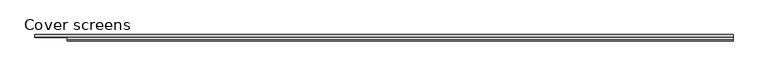
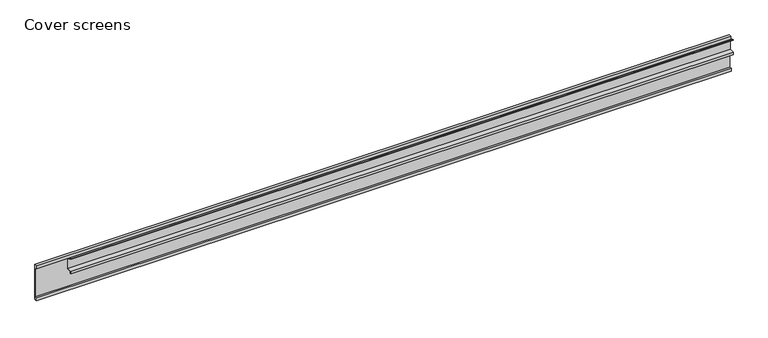
"""IFC4 building model written with IfcOpenShell, lengths in millimetres: proxy geometry, Cover screens."""

import ifcopenshell
import ifcopenshell.guid

model = None  # the IFC model being written
_history = None  # IfcOwnerHistory: only IFC2X3 demands one
_inside = {}  # id of a spatial element -> (the spatial element, [elements in it])
_under = {}  # id of a project, library or spatial element -> (it, [spatial elements below it])
_declared = {}  # id of a project -> (the project, [libraries it declares])
_typed = {}  # id of a type object -> (the type object, [elements of that type])
_made_of = {}  # id of a material, layer set ... -> (it, [elements and type objects made of it])


def new_model(schema):
    """Start an empty IFC model of exactly this schema.

    Asked for "IFC4X3", IfcOpenShell would pick the latest addendum, in which some entities
    have other attributes; the version numbers below select the first issue.
    IFC2X3 requires an IfcOwnerHistory on every rooted entity: one is made here for all.
    """
    global model, _history
    if schema == "IFC4X3":
        model = ifcopenshell.file(schema_version=(4, 3, 0, 0))
    else:
        model = ifcopenshell.file(schema=schema)
    _inside.clear()
    _under.clear()
    _declared.clear()
    _typed.clear()
    _made_of.clear()
    _history = None
    if model.schema == "IFC2X3":
        org = make("IfcOrganization", Name="unknown")
        user = make(
            "IfcPersonAndOrganization",
            ThePerson=make("IfcPerson", FamilyName="unknown"),
            TheOrganization=org,
        )
        app = make(
            "IfcApplication",
            ApplicationDeveloper=org,
            Version="unknown",
            ApplicationFullName="unknown",
            ApplicationIdentifier="unknown",
        )
        _history = make(
            "IfcOwnerHistory",
            OwningUser=user,
            OwningApplication=app,
            ChangeAction="ADDED",
            CreationDate=0,
        )
    return model


def make(cls, **values):
    """One entity of the class cls with the attributes given. An attribute that is None is left unset."""
    return model.create_entity(
        cls, **{name: value for name, value in values.items() if value is not None}
    )


def rooted(cls, **values):
    """An entity with a GlobalId (a new one), such as an element, a storey or a relation."""
    return make(cls, GlobalId=ifcopenshell.guid.new(), OwnerHistory=_history, **values)


def si_unit(unit_type, name, prefix=None):
    """IfcSIUnit, for example si_unit("LENGTHUNIT", "METRE", prefix="MILLI")."""
    return make("IfcSIUnit", UnitType=unit_type, Prefix=prefix, Name=name)


def assignment(units):
    """IfcUnitAssignment: the units of a project."""
    return None if units is None else make("IfcUnitAssignment", Units=units)


def point(xyz):
    """IfcCartesianPoint."""
    return None if xyz is None else make("IfcCartesianPoint", Coordinates=xyz)


def direction(xyz):
    """IfcDirection."""
    return None if xyz is None else make("IfcDirection", DirectionRatios=xyz)


def frame(location, z_axis=None, x_axis=None):
    """IfcAxis2Placement3D, a coordinate frame: its origin and axes. An axis left out is left unset."""
    return make(
        "IfcAxis2Placement3D",
        Location=point(location),
        Axis=direction(z_axis),
        RefDirection=direction(x_axis),
    )


def origin():
    """The frame at (0, 0, 0) with its axes left unset."""
    return frame((0.0, 0.0, 0.0))


def place(relative_to, where):
    """IfcLocalPlacement: puts the frame where relative to a parent placement (None: the world)."""
    return make(
        "IfcLocalPlacement", PlacementRelTo=relative_to, RelativePlacement=where
    )


def context(
    kind, dimensions, precision=None, world=None, true_north=None, identifier=None
):
    """IfcGeometricRepresentationContext, for example the 3D "Model" context."""
    return make(
        "IfcGeometricRepresentationContext",
        ContextIdentifier=identifier,
        ContextType=kind,
        CoordinateSpaceDimension=dimensions,
        Precision=precision,
        WorldCoordinateSystem=world,
        TrueNorth=true_north,
    )


def project(units=None, contexts=None):
    """IfcProject with its units and contexts."""
    return rooted(
        "IfcProject",
        Name="project",
        RepresentationContexts=contexts,
        UnitsInContext=assignment(units),
    )


def spatial(cls, under=None, at=None, **own):
    """A site, building, storey or space (cls), placed at a placement, below another one or the project."""
    s = rooted(cls, ObjectPlacement=at, **own)
    if under is not None:
        _under.setdefault(under.id(), (under, []))[1].append(s)
    return s


def polyline(points):
    """IfcPolyline through the points."""
    return make("IfcPolyline", Points=[point(p) for p in points])


def outline(outer, holes=None, kind="AREA"):
    """IfcArbitraryClosedProfileDef: a profile drawn as a closed curve; with holes, ...WithVoids."""
    if holes is None:
        return make("IfcArbitraryClosedProfileDef", ProfileType=kind, OuterCurve=outer)
    return make(
        "IfcArbitraryProfileDefWithVoids",
        ProfileType=kind,
        OuterCurve=outer,
        InnerCurves=holes,
    )


def extrude(swept, where, along, depth):
    """IfcExtrudedAreaSolid: the profile swept, set in the frame where, extruded along a direction by depth."""
    return make(
        "IfcExtrudedAreaSolid",
        SweptArea=swept,
        Position=where,
        ExtrudedDirection=direction(along),
        Depth=depth,
    )


def shape(context_of_items, identifier, shape_type, items):
    """IfcShapeRepresentation: the items that make up one representation, for example the "Body"."""
    return make(
        "IfcShapeRepresentation",
        ContextOfItems=context_of_items,
        RepresentationIdentifier=identifier,
        RepresentationType=shape_type,
        Items=items,
    )


def source(mapping_origin, context_of_items, identifier, shape_type, items):
    """IfcRepresentationMap: a shape defined once, which mapped items show again and again."""
    return make(
        "IfcRepresentationMap",
        MappingOrigin=mapping_origin,
        MappedRepresentation=shape(context_of_items, identifier, shape_type, items),
    )


def transform(
    local_origin,
    x_axis=None,
    y_axis=None,
    z_axis=None,
    scale=None,
    scale2=None,
    scale3=None,
    uniform=True,
):
    """IfcCartesianTransformationOperator3D, or its non-uniform kind. x_axis, y_axis, z_axis: its Axis1, 2, 3."""
    if uniform:
        return make(
            "IfcCartesianTransformationOperator3D",
            Axis1=direction(x_axis),
            Axis2=direction(y_axis),
            LocalOrigin=point(local_origin),
            Scale=scale,
            Axis3=direction(z_axis),
        )
    return make(
        "IfcCartesianTransformationOperator3DnonUniform",
        Axis1=direction(x_axis),
        Axis2=direction(y_axis),
        LocalOrigin=point(local_origin),
        Scale=scale,
        Axis3=direction(z_axis),
        Scale2=scale2,
        Scale3=scale3,
    )


def mapped(mapping_source, mapping_target):
    """IfcMappedItem: shows the shape of a source again, moved by a transform."""
    return make(
        "IfcMappedItem", MappingSource=mapping_source, MappingTarget=mapping_target
    )


def made_of(thing, what):
    """Note that an element or type object is made of a material, layer set ...; save() writes the relation."""
    if what is not None:
        _made_of.setdefault(what.id(), (what, []))[1].append(thing)
    return thing


def element(
    cls,
    number,
    at=None,
    inside=None,
    cuts=None,
    type_object=None,
    material=None,
    context=None,
    identifier="Body",
    shape_type=None,
    held_by="IfcProductDefinitionShape",
    body=None,
    shapes=None,
    **own,
):
    """One element of the class cls, such as IfcWall. Its Tag is "e" and its number.

    at: its placement. inside: the storey or other place that contains it. cuts: it is an
    opening in that element (IfcRelVoidsElement). A single representation is given by context,
    identifier, shape_type and body (its items); several are given by shapes. held_by: the class
    of the entity that holds the representations. save() writes the other relations.
    """
    e = rooted(cls, Tag="e%d" % number, ObjectPlacement=at, **own)
    if body is not None:
        shapes = [shape(context, identifier, shape_type, body)]
    if shapes is not None:
        e.Representation = make(held_by, Representations=shapes)
    if inside is not None:
        _inside.setdefault(inside.id(), (inside, []))[1].append(e)
    if cuts is not None:
        rooted(
            "IfcRelVoidsElement", RelatingBuildingElement=cuts, RelatedOpeningElement=e
        )
    if type_object is not None:
        _typed.setdefault(type_object.id(), (type_object, []))[1].append(e)
    return made_of(e, material)


def aggregate(whole, parts):
    """IfcRelAggregates: a whole, such as a stair, and the parts it consists of."""
    return rooted("IfcRelAggregates", RelatingObject=whole, RelatedObjects=parts)


def save(model, path):
    """Write the relations noted so far, then the file.

    IfcRelAggregates (storeys below a building ...), IfcRelContainedInSpatialStructure (elements
    in a storey), IfcRelDefinesByType, IfcRelAssociatesMaterial and IfcRelDeclares: one each for
    every whole, place, type object, material and project.
    """
    for whole, parts in _under.values():
        aggregate(whole, parts)
    for where, things in _inside.values():
        rooted(
            "IfcRelContainedInSpatialStructure",
            RelatedElements=things,
            RelatingStructure=where,
        )
    for kind, things in _typed.values():
        rooted("IfcRelDefinesByType", RelatedObjects=things, RelatingType=kind)
    for what, things in _made_of.values():
        rooted("IfcRelAssociatesMaterial", RelatedObjects=things, RelatingMaterial=what)
    for by, libraries in _declared.values():
        rooted("IfcRelDeclares", RelatingContext=by, RelatedDefinitions=libraries)
    model.write(path)


def cover_screens_0fe1b38f(model_context):
    return source(origin(), model_context, "Body", "SweptSolid", [
        extrude(outline(polyline([(3.2396744, 105.2573755), (12.0, 99.0), (16.5351396, 99.0), (16.5351396, 64.0), (2.0, 64.0), (2.0, 57.9863949), (0.0, 57.9863949), (0.0, 66.0), (14.5351396, 66.0), (14.5351396, 97.0), (11.3590699, 97.0), (2.5987443, 103.2573755), (0.0, 103.2573755), (0.0, 105.2573755), (3.2396744, 105.2573755)])), frame((95.0, 0.0, 0.0), z_axis=(1.0, 0.0, 0.0), x_axis=(0.0, 1.0, 0.0)), (0.0, 0.0, 1.0), 1950.0),
        extrude(outline(polyline([(18.5, 109.0), (18.5, 0.0), (10.65, 0.0), (10.65, 10.0), (16.5351396, 10.0), (16.5351396, 99.0), (12.0, 99.0), (12.0, 109.0), (18.5, 109.0)])), frame((0.0, 0.0, 0.0), z_axis=(1.0, 0.0, 0.0), x_axis=(0.0, 1.0, 0.0)), (0.0, 0.0, 1.0), 2045.0),
    ])


if __name__ == "__main__":
    model = new_model("IFC4")
    model_context = context("Model", 3, world=origin())
    ifc_project = project(units=[si_unit("LENGTHUNIT", "METRE", prefix="MILLI")], contexts=[model_context])
    site = spatial("IfcSite", under=ifc_project)
    building = spatial("IfcBuilding", under=site)
    placement = place(None, origin())
    cover_screens_shape = cover_screens_0fe1b38f(model_context)
    element("IfcBuildingElementProxy", 1, Name="Cover screens", ObjectType="Cover screens", at=placement, inside=building, context=model_context, shape_type="MappedRepresentation", body=[
        mapped(cover_screens_shape, transform((0.0, 0.0, 0.0), x_axis=(1.0, 0.0, 0.0), y_axis=(0.0, 1.0, 0.0), z_axis=(0.0, 0.0, 1.0))),
    ])
    save(model, "model.ifc")
